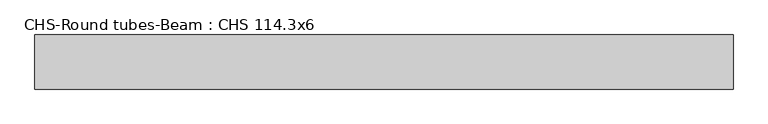
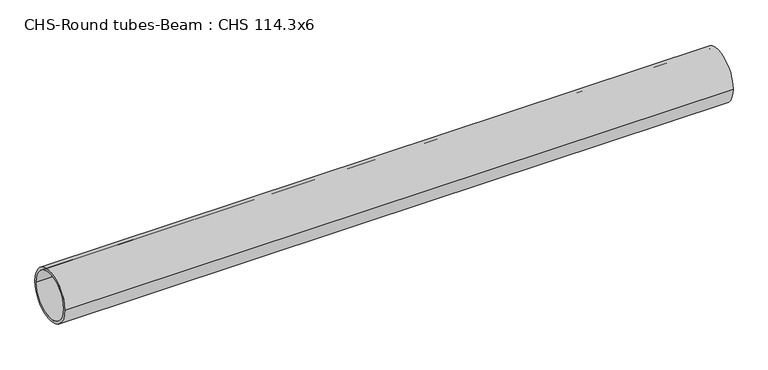
"""IFC4 building model written with IfcOpenShell, lengths in millimetres: beam geometry, CHS-Round tubes-Beam : CHS 114.3x6."""

from ifc_helpers import new_model, si_unit, point, frame, origin, origin_2d, place, context, project, spatial, circle_curve, trimmed, segment, composite_curve, outline, extrude, source, transform, mapped, element, save


def chs_round_tubes_beam_chs_114_3x6_258450cd(model_context):
    return source(origin(), model_context, "Body", "SweptSolid", [
        extrude(outline(composite_curve([segment(trimmed(circle_curve(origin_2d(), 57.15), [point((57.15, 0.0))], [point((-57.15, 0.0))], False, "CARTESIAN"), True, "CONTINUOUS"), segment(trimmed(circle_curve(origin_2d(), 57.15), [point((-57.15, 0.0))], [point((57.15, 0.0))], False, "CARTESIAN"), True, "CONTINUOUS")], self_intersect=False), holes=[composite_curve([segment(trimmed(circle_curve(origin_2d(), 51.15), [point((51.15, 0.0))], [point((-51.15, 0.0))], True, "CARTESIAN"), True, "CONTINUOUS"), segment(trimmed(circle_curve(origin_2d(), 51.15), [point((-51.15, 0.0))], [point((51.15, 0.0))], True, "CARTESIAN"), True, "CONTINUOUS")], self_intersect=False)]), frame((-701.5964694, 0.0, 0.0), z_axis=(1.0, 0.0, 0.0), x_axis=(0.0, 1.0, 0.0)), (0.0, 0.0, 1.0), 1475.3089237),
    ])


if __name__ == "__main__":
    model = new_model("IFC4")
    model_context = context("Model", 3, world=origin())
    ifc_project = project(units=[si_unit("LENGTHUNIT", "METRE", prefix="MILLI")], contexts=[model_context])
    site = spatial("IfcSite", under=ifc_project)
    building = spatial("IfcBuilding", under=site)
    placement = place(None, origin())
    chs_round_tubes_beam_chs_114_3x6_shape = chs_round_tubes_beam_chs_114_3x6_258450cd(model_context)
    element("IfcBeam", 1, ObjectType="CHS-Round tubes-Beam : CHS 114.3x6", at=placement, inside=building, context=model_context, shape_type="MappedRepresentation", body=[
        mapped(chs_round_tubes_beam_chs_114_3x6_shape, transform((0.0, 0.0, 0.0), x_axis=(1.0, 0.0, 0.0), y_axis=(0.0, 1.0, 0.0), z_axis=(0.0, 0.0, 1.0))),
    ])
    save(model, "model.ifc")
